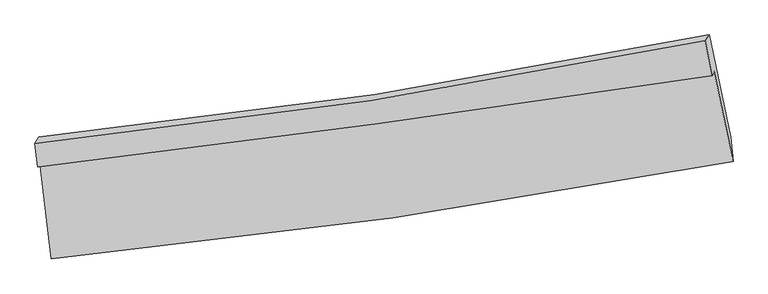
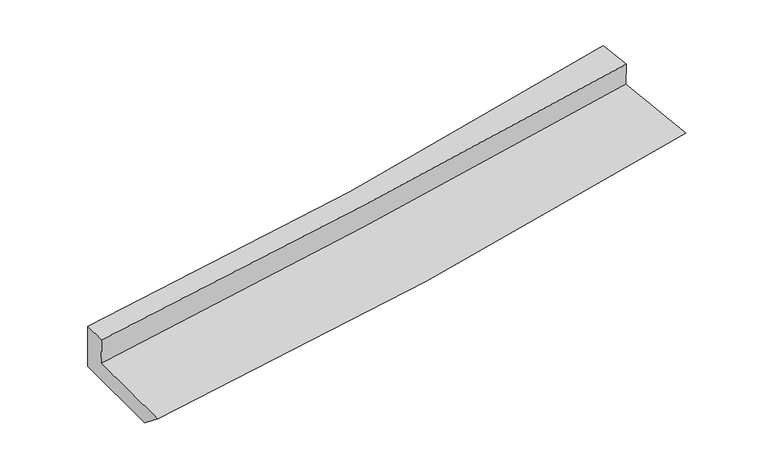
"""IFC4 building model written with IfcOpenShell, lengths in millimetres: proxy geometry."""

from ifc_helpers import new_model, si_unit, frame, origin, place, context, project, spatial, source, transform, mapped, element, save
from ifc_brep_helpers import plane_surface, spline_curve, spline_surface, advanced_brep


def generic_models_dcdf5a07(model_context):
    return source(origin(), model_context, "Body", "AdvancedBrep", [
        advanced_brep(
        [(-2278.7280918, -1816.0065379, 1775.1603748), (-2202.8375826, -2463.2049527, 1676.6721944), (2352.1940718, -1813.0278192, 2081.2572872), (2226.178961, -1208.5328632, 2169.8208629), (-2292.8730056, -1850.1163546, 1998.9685753), (2214.1927138, -1237.4371535, 2359.4735149), (-2311.4631794, -1690.8092126, 2022.0730952), (2166.0336417, -1005.6707032, 2391.7525164), (-2286.5922202, -1650.1727259, 1654.2284567), (2191.8519755, -965.436093, 2029.4390203), (-2210.1048926, -2296.2510138, 1546.7207478), (2334.9832222, -1647.6583067, 1919.6614528)],
        [
            (0, 1),
            (1, 2, spline_curve(3, [(-2202.8375826, -2463.2049527, 1676.6721944), (-1439.570285062, -2388.465114632, 1734.03500167), (-679.158724439, -2297.065795913, 1796.348868446), (839.209767784, -2080.483635694, 1931.167904118), (1597.142091706, -1955.157243314, 2003.71573453), (2352.1940718, -1813.0278192, 2081.2572872)], [4, 2, 4], [0.0, 7.5158612839318, 15.064034355347486])),
            (2, 3),
            (3, 0, spline_curve(3, [(2226.178961, -1208.5328632, 2169.8208629), (1475.465656446, -1321.947898937, 2097.124733879), (723.893005692, -1429.373988473, 2027.825020452), (-777.750020243, -1631.814048806, 1896.300540813), (-1527.813053659, -1726.879184283, 1834.046757886), (-2278.7280918, -1816.0065379, 1775.1603748)], [4, 2, 4], [0.0, 7.548173071415686, 15.064034355347486])),
            (4, 0),
            (3, 5),
            (5, 4, spline_curve(3, [(2214.1927138, -1237.4371535, 2359.4735149), (1463.02857246, -1351.939361173, 2293.910757076), (711.050325515, -1460.343527462, 2231.02859806), (-791.311869077, -1664.51783133, 2110.883185733), (-1541.688862058, -1760.340065419, 2053.597031317), (-2292.8730056, -1850.1163546, 1998.9685753)], [4, 2, 4], [0.0, 7.50117559318602, 14.970240583004426])),
            (6, 4),
            (5, 7),
            (7, 6, spline_curve(3, [(2166.0336417, -1005.6707032, 2391.7525164), (1425.021076102, -1157.433956563, 2321.152524389), (680.582386291, -1290.492891156, 2254.98932736), (-811.94582378, -1518.712600146, 2131.800757891), (-1560.006074482, -1614.033168668, 2074.737481341), (-2311.4631794, -1690.8092126, 2022.0730952)], [4, 2, 4], [0.0, 7.487086710550537, 14.942123128616277])),
            (8, 6),
            (7, 9),
            (9, 8, spline_curve(3, [(2191.8519755, -965.436093, 2029.4390203), (1450.567341939, -1117.330762267, 1959.62449864), (705.913623412, -1250.421630587, 1893.390286179), (-786.929891184, -1478.506530875, 1768.350685464), (-1535.090904421, -1573.66120701, 1709.514709902), (-2286.5922202, -1650.1727259, 1654.2284567)], [4, 2, 4], [0.0, 7.475149031664453, 14.91829887297698])),
            (10, 8),
            (9, 11),
            (11, 10, spline_curve(3, [(2334.9832222, -1647.6583067, 1919.6614528), (1581.618821193, -1791.899959061, 1850.458817195), (825.360663735, -1918.147597492, 1784.719858805), (-689.69342965, -2134.191440785, 1660.435881056), (-1448.464643762, -2224.141371324, 1601.861271258), (-2210.1048926, -2296.2510138, 1546.7207478)], [4, 2, 4], [0.0, 7.52551286650246, 15.018810948029929])),
            (1, 10),
            (11, 2),
        ],
        [
            spline_surface(3, 3, [[(-2278.7280918, -1816.0065379, 1775.1603748), (-1527.813053722, -1726.879184235, 1834.046757881), (-777.750020175, -1631.814048824, 1896.300540692), (723.893005623, -1429.373988456, 2027.825020574), (1475.465656344, -1321.947898965, 2097.124733846), (2226.178961, -1208.5328632, 2169.8208629)], [(-2253.431255411, -2031.739342848, 1742.330981325), (-1498.398797544, -1947.407827755, 1800.709505764), (-744.886254874, -1853.564631167, 1862.983316658), (762.331926341, -1646.41053753, 1995.60598172), (1516.024468118, -1533.017680454, 2065.988400772), (2268.18399793, -1410.031181867, 2140.29967101)], [(-2228.134418989, -2247.472147752, 1709.501587875), (-1468.984541334, -2167.936471229, 1767.372253672), (-712.022489652, -2075.315213548, 1829.666092604), (800.770846979, -1863.447086641, 1963.386942847), (1556.583279903, -1744.087461943, 2034.852067666), (2310.18903487, -1611.529500533, 2110.77847909)], [(-2202.8375826, -2463.2049527, 1676.6721944), (-1439.570285157, -2388.465114748, 1734.035001555), (-679.158724351, -2297.065795892, 1796.34886857), (839.209767696, -2080.483635715, 1931.167903993), (1597.142091677, -1955.157243433, 2003.715734592), (2352.1940718, -1813.0278192, 2081.2572872)]], [4, 4], [4, 2, 4], [0.0, 2.2112736729318687], [0.0, 7.5158612839318, 15.064034355347486]),
            spline_surface(3, 3, [[(-2292.8730056, -1850.1163546, 1998.9685753), (-1541.688862057, -1760.340065331, 2053.597031379), (-791.311869198, -1664.517831307, 2110.88318569), (711.050325637, -1460.343527486, 2231.028598104), (1463.02857258, -1351.939361148, 2293.910756988), (2214.1927138, -1237.4371535, 2359.4735149)], [(-2288.158034336, -1838.746415674, 1924.365841813), (-1537.063592615, -1749.186438274, 1980.413606893), (-786.79125287, -1653.61657048, 2039.355637353), (715.331218952, -1450.02034781, 2163.294072257), (1467.174267166, -1341.942207064, 2228.315415926), (2218.188129531, -1227.802390044, 2296.255964219)], [(-2283.443063064, -1827.376476826, 1849.763108287), (-1532.438323164, -1738.032811293, 1907.230182367), (-782.270636502, -1642.71530965, 1967.828089028), (719.612112308, -1439.697168131, 2095.559546421), (1471.319961758, -1331.945053048, 2162.720074908), (2222.183545269, -1218.167626656, 2233.038413581)], [(-2278.7280918, -1816.0065379, 1775.1603748), (-1527.813053722, -1726.879184235, 1834.046757881), (-777.750020175, -1631.814048824, 1896.300540692), (723.893005623, -1429.373988456, 2027.825020574), (1475.465656344, -1321.947898965, 2097.124733846), (2226.178961, -1208.5328632, 2169.8208629)]], [4, 4], [4, 2, 4], [0.0, 0.6945292905218066], [0.0, 7.469064989818405, 14.970240583004426]),
            spline_surface(3, 3, [[(-2311.4631794, -1690.8092126, 2022.0730952), (-1560.006074599, -1614.033168752, 2074.737481263), (-811.945823893, -1518.712600216, 2131.800757887), (680.582386404, -1290.492891086, 2254.989327364), (1425.02107606, -1157.433956487, 2321.152524482), (2166.0336417, -1005.6707032, 2391.7525164)], [(-2305.266454795, -1743.911593273, 2014.371588569), (-1553.90033708, -1662.802134284, 2067.690664638), (-805.067838999, -1567.314343913, 2124.828233797), (690.738366144, -1347.109769886, 2247.002417587), (1437.690241568, -1222.269091377, 2312.071935327), (2182.086665735, -1082.926186636, 2380.992849243)], [(-2299.069730205, -1797.013973927, 2006.670081931), (-1547.794599576, -1711.571099799, 2060.643848005), (-798.189854092, -1615.91608761, 2117.85570978), (700.894345897, -1403.726648686, 2239.015507881), (1450.359407072, -1287.104226258, 2302.991346143), (2198.139689765, -1160.181670064, 2370.233182057)], [(-2292.8730056, -1850.1163546, 1998.9685753), (-1541.688862057, -1760.340065331, 2053.597031379), (-791.311869198, -1664.517831307, 2110.88318569), (711.050325637, -1460.343527486, 2231.028598104), (1463.02857258, -1351.939361148, 2293.910756988), (2214.1927138, -1237.4371535, 2359.4735149)]], [4, 4], [4, 2, 4], [0.0, 0.5298707276390872], [0.0, 7.45503641806574, 14.942123128616277]),
            spline_surface(3, 3, [[(-2286.5922202, -1650.1727259, 1654.2284567), (-1535.090904389, -1573.661207082, 1709.514709971), (-786.929891168, -1478.506530937, 1768.350685477), (705.913623396, -1250.421630524, 1893.390286167), (1450.56734202, -1117.330762391, 1959.624498563), (2191.8519755, -965.436093, 2029.4390203)], [(-2294.882539927, -1663.718221468, 1776.843336181), (-1543.395961119, -1587.11852764, 1831.255633716), (-795.268535396, -1491.908554028, 1889.500709618), (697.469877746, -1263.778717376, 2013.923299904), (1442.051920015, -1130.69849377, 2080.13384053), (2183.245864215, -978.847629747, 2150.21018566)], [(-2303.172859673, -1677.263717032, 1899.458215719), (-1551.701017869, -1600.575848193, 1952.996557518), (-803.607179665, -1505.310577125, 2010.650733746), (689.026132054, -1277.135804235, 2134.456313627), (1433.536498065, -1144.066225108, 2200.643182515), (2174.639752985, -992.259166453, 2270.98135104)], [(-2311.4631794, -1690.8092126, 2022.0730952), (-1560.006074599, -1614.033168752, 2074.737481263), (-811.945823893, -1518.712600216, 2131.800757887), (680.582386404, -1290.492891086, 2254.989327364), (1425.02107606, -1157.433956487, 2321.152524482), (2166.0336417, -1005.6707032, 2391.7525164)]], [4, 4], [4, 2, 4], [0.0, 1.19948698685993], [0.0, 7.443149841312526, 14.91829887297698]),
            spline_surface(3, 3, [[(-2210.1048926, -2296.2510138, 1546.7207478), (-1448.464643849, -2224.141371372, 1601.861271183), (-689.693429664, -2134.191440777, 1660.435881139), (825.360663748, -1918.1475975, 1784.719858722), (1581.618821191, -1791.899959059, 1850.458817094), (2334.9832222, -1647.6583067, 1919.6614528)], [(-2235.600668489, -2080.891584501, 1582.556650774), (-1477.340064051, -2007.314649943, 1637.745750786), (-722.105583522, -1915.629804156, 1696.407482584), (785.544983607, -1695.572275167, 1820.943334536), (1537.934994819, -1567.043560158, 1886.847377572), (2287.272806652, -1420.250902122, 1956.253975288)], [(-2261.096444311, -1865.532155199, 1618.392553726), (-1506.215484187, -1790.487928511, 1673.630230368), (-754.51773731, -1697.068167558, 1732.379084031), (745.729303537, -1472.996952857, 1857.166810353), (1494.251168392, -1342.187161291, 1923.235938086), (2239.562391048, -1192.843497578, 1992.846497812)], [(-2286.5922202, -1650.1727259, 1654.2284567), (-1535.090904389, -1573.661207082, 1709.514709971), (-786.929891168, -1478.506530937, 1768.350685477), (705.913623396, -1250.421630524, 1893.390286167), (1450.56734202, -1117.330762391, 1959.624498563), (2191.8519755, -965.436093, 2029.4390203)]], [4, 4], [4, 2, 4], [0.0, 2.2284709505559075], [0.0, 7.493298081527469, 15.018810948029929]),
            spline_surface(3, 3, [[(-2202.8375826, -2463.2049527, 1676.6721944), (-1439.570285157, -2388.465114748, 1734.035001555), (-679.158724351, -2297.065795892, 1796.34886857), (839.209767696, -2080.483635715, 1931.167903993), (1597.142091677, -1955.157243433, 2003.715734592), (2352.1940718, -1813.0278192, 2081.2572872)], [(-2205.260019242, -2407.553639736, 1633.355045538), (-1442.535071363, -2333.690533625, 1689.977091436), (-682.670292787, -2242.774344208, 1751.044539444), (834.593399715, -2026.371622998, 1882.35188892), (1591.967668186, -1900.738148658, 1952.630095439), (2346.457121937, -1757.904648384, 2027.39200908)], [(-2207.682455958, -2351.902326764, 1590.037896662), (-1445.499857643, -2278.915952495, 1645.919181302), (-686.181861228, -2188.48289246, 1705.740210265), (829.977031729, -1972.259610217, 1833.535873795), (1586.793244682, -1846.319053833, 1901.544456247), (2340.720172063, -1702.781477516, 1973.52673092)], [(-2210.1048926, -2296.2510138, 1546.7207478), (-1448.464643849, -2224.141371372, 1601.861271183), (-689.693429664, -2134.191440777, 1660.435881139), (825.360663748, -1918.1475975, 1784.719858722), (1581.618821191, -1791.899959059, 1850.458817094), (2334.9832222, -1647.6583067, 1919.6614528)]], [4, 4], [4, 2, 4], [0.0, 0.7076827242744446], [0.0, 7.552768456480668, 15.138007369780775]),
            plane_surface(frame((2247.572431, -1312.9604898, 2158.5674424), z_axis=(0.9774849905736553, 0.19046601589062725, 0.09080633234511884), x_axis=(-0.07064732636703847, -0.11009492932237501, 0.9914071120456472))),
            plane_surface(frame((-2263.7664954, -1961.0934662, 1778.970574), z_axis=(-0.9914383865433318, -0.10430171749171885, -0.07855620546228563), x_axis=(-0.11515426106522239, 0.9820418395039062, 0.14944337262758364))),
        ],
        [
            (0, [[1, 2, 3, 4]]),
            (1, [[5, -4, 6, 7]]),
            (2, [[8, -7, 9, 10]]),
            (3, [[11, -10, 12, 13]]),
            (4, [[14, -13, 15, 16]]),
            (5, [[17, -16, 18, -2]]),
            (6, [[-12, -9, -6, -3, -18, -15]]),
            (7, [[-1, -5, -8, -11, -14, -17]]),
        ],
    ),
    ])


if __name__ == "__main__":
    model = new_model("IFC4")
    model_context = context("Model", 3, world=origin())
    ifc_project = project(units=[si_unit("LENGTHUNIT", "METRE", prefix="MILLI")], contexts=[model_context])
    site = spatial("IfcSite", under=ifc_project)
    building = spatial("IfcBuilding", under=site)
    placement = place(None, origin())
    generic_models_shape = generic_models_dcdf5a07(model_context)
    element("IfcBuildingElementProxy", 1, Name="Generic Models", at=placement, inside=building, context=model_context, shape_type="MappedRepresentation", body=[
        mapped(generic_models_shape, transform((0.0, 0.0, 0.0), x_axis=(1.0, 0.0, 0.0), y_axis=(0.0, 1.0, 0.0), z_axis=(0.0, 0.0, 1.0))),
    ])
    save(model, "model.ifc")
